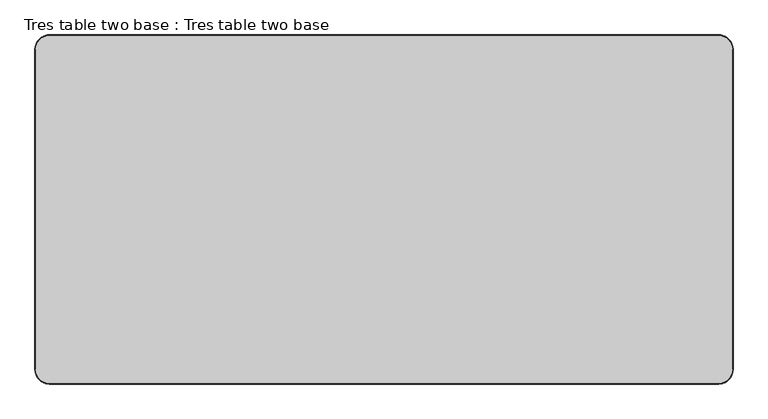
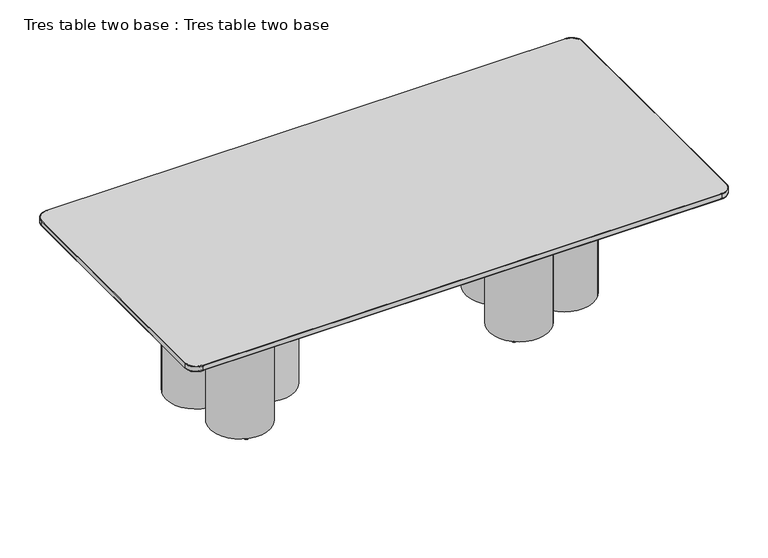
"""IFC4 building model written with IfcOpenShell, lengths in millimetres: furniture geometry, Tres table two base : Tres table two base."""

from ifc_helpers import new_model, si_unit, point, frame, frame_2d, origin, origin_with_axes, place, context, project, spatial, circle_curve, ellipse_curve, trimmed, segment, composite_curve, outline, extrude, source, transform, mapped, element, save
from ifc_brep_helpers import plane_surface, cylinder_surface, revolved_surface, advanced_brep


def tres_table_two_base_tres_table_two_base_2dbc93a7(model_context):
    return source(origin(), model_context, "Body", "SolidModel", [
        advanced_brep(
        [(-1150.0, 598.0, 719.875), (-1198.0, 550.0, 719.875), (-1198.0, -550.0, 719.875), (-1150.0, -598.0, 719.875), (1150.0, -598.0, 719.875), (1198.0, -550.0, 719.875), (1198.0, 550.0, 719.875), (1150.0, 598.0, 719.875), (1150.0, 598.0, 695.5), (1198.0, 550.0, 695.5), (1198.0, -550.0, 695.5), (1150.0, -598.0, 695.5), (-1150.0, -598.0, 695.5), (-1198.0, -550.0, 695.5), (-1198.0, 550.0, 695.5), (-1150.0, 598.0, 695.5), (-1150.0, 600.0, 717.875), (1150.0, 600.0, 717.875), (1150.0, 600.0, 697.4999989), (-1150.0, 600.0, 697.5), (-1200.0, 550.0, 717.875), (-1200.0, 550.0, 697.5), (-1200.0, -550.0, 717.875), (-1200.0, -550.0, 697.5), (-1150.0, -600.0, 717.875), (-1150.0, -600.0, 697.5), (1150.0, -600.0, 717.875), (1150.0, -600.0, 697.5), (1200.0, -550.0, 717.875), (1200.0, -550.0, 697.5), (1200.0, 550.0, 717.875), (1200.0, 550.0, 697.5)],
        [
            (0, 1, circle_curve(frame((-1150.0, 550.0, 719.875), z_axis=(0.0, 0.0, 1.0), x_axis=(0.0, 1.0, 0.0)), 48.0)),
            (1, 2),
            (2, 3, circle_curve(frame((-1150.0, -550.0, 719.875), z_axis=(0.0, 0.0, 1.0), x_axis=(-1.0, 0.0, 0.0)), 48.0)),
            (3, 4),
            (4, 5, circle_curve(frame((1150.0, -550.0, 719.875), z_axis=(0.0, 0.0, 1.0), x_axis=(0.0, -1.0, 0.0)), 48.0)),
            (5, 6),
            (6, 7, circle_curve(frame((1150.0, 550.0, 719.875), z_axis=(0.0, 0.0, 1.0), x_axis=(1.0, 0.0, 0.0)), 48.0)),
            (7, 0),
            (8, 9, circle_curve(frame((1150.0, 550.0, 695.5), z_axis=(0.0, 0.0, -1.0), x_axis=(0.0, 1.0, 0.0)), 48.0)),
            (9, 10),
            (10, 11, circle_curve(frame((1150.0, -550.0, 695.5), z_axis=(0.0, 0.0, -1.0), x_axis=(1.0, 0.0, 0.0)), 48.0)),
            (11, 12),
            (12, 13, circle_curve(frame((-1150.0, -550.0, 695.5), z_axis=(0.0, 0.0, -1.0), x_axis=(0.0, -1.0, 0.0)), 48.0)),
            (13, 14),
            (14, 15, circle_curve(frame((-1150.0, 550.0, 695.5), z_axis=(0.0, 0.0, -1.0), x_axis=(-1.0, 0.0, 0.0)), 48.0)),
            (15, 8),
            (16, 17),
            (17, 18),
            (18, 19),
            (19, 16),
            (20, 16, circle_curve(frame((-1150.0, 550.0, 717.875), z_axis=(0.0, 0.0, -1.0), x_axis=(1.0, 0.0, 0.0)), 50.0)),
            (19, 21, circle_curve(frame((-1150.0, 550.0, 697.5), z_axis=(0.0, 0.0, 1.0), x_axis=(1.0, 0.0, 0.0)), 50.0)),
            (21, 20),
            (22, 20),
            (21, 23),
            (23, 22),
            (24, 22, circle_curve(frame((-1150.0, -550.0, 717.875), z_axis=(0.0, 0.0, -1.0), x_axis=(1.0, 0.0, 0.0)), 50.0)),
            (23, 25, circle_curve(frame((-1150.0, -550.0, 697.5), z_axis=(0.0, 0.0, 1.0), x_axis=(1.0, 0.0, 0.0)), 50.0)),
            (25, 24),
            (26, 24),
            (25, 27),
            (27, 26),
            (28, 26, circle_curve(frame((1150.0, -550.0, 717.875), z_axis=(0.0, 0.0, -1.0), x_axis=(1.0, 0.0, 0.0)), 50.0)),
            (27, 29, circle_curve(frame((1150.0, -550.0, 697.5), z_axis=(0.0, 0.0, 1.0), x_axis=(1.0, 0.0, 0.0)), 50.0)),
            (29, 28),
            (30, 28),
            (29, 31),
            (31, 30),
            (17, 30, circle_curve(frame((1150.0, 550.0, 717.875), z_axis=(0.0, 0.0, -1.0), x_axis=(1.0, 0.0, 0.0)), 50.0)),
            (31, 18, circle_curve(frame((1150.0, 550.0, 697.5), z_axis=(0.0, 0.0, 1.0), x_axis=(1.0, 0.0, 0.0)), 50.0)),
            (20, 1, circle_curve(frame((-1198.0, 550.0, 717.875), z_axis=(0.0, 1.0, 0.0), x_axis=(1.0, 0.0, 0.0)), 2.0)),
            (0, 16, circle_curve(frame((-1150.0, 598.0, 717.875), z_axis=(-1.0, 0.0, 0.0), x_axis=(0.0, -1.0, 0.0)), 2.0)),
            (22, 2, circle_curve(frame((-1198.0, -550.0, 717.875), z_axis=(0.0, 1.0, 0.0), x_axis=(1.0, 0.0, 0.0)), 2.0)),
            (24, 3, circle_curve(frame((-1150.0, -598.0, 717.875), z_axis=(-1.0, 0.0, 0.0), x_axis=(0.0, 1.0, 0.0)), 2.0)),
            (26, 4, circle_curve(frame((1150.0, -598.0, 717.875), z_axis=(-1.0, 0.0, 0.0), x_axis=(0.0, 1.0, 0.0)), 2.0)),
            (28, 5, circle_curve(frame((1198.0, -550.0, 717.875), z_axis=(0.0, -1.0, 0.0), x_axis=(-1.0, 0.0, 0.0)), 2.0)),
            (30, 6, circle_curve(frame((1198.0, 550.0, 717.875), z_axis=(0.0, -1.0, 0.0), x_axis=(-1.0, 0.0, 0.0)), 2.0)),
            (17, 7, circle_curve(frame((1150.0, 598.0, 717.875), z_axis=(1.0, 0.0, 0.0), x_axis=(0.0, -1.0, 0.0)), 2.0)),
            (31, 9, circle_curve(frame((1198.0, 550.0, 697.5), z_axis=(0.0, 1.0, 0.0), x_axis=(-1.0, 0.0, 0.0)), 2.0)),
            (8, 18, circle_curve(frame((1150.0, 598.0, 697.5), z_axis=(1.0, 0.0, 0.0), x_axis=(0.0, -1.0, 0.0)), 2.0)),
            (29, 10, circle_curve(frame((1198.0, -550.0, 697.5), z_axis=(0.0, 1.0, 0.0), x_axis=(-1.0, 0.0, 0.0)), 2.0)),
            (27, 11, circle_curve(frame((1150.0, -598.0, 697.5), z_axis=(1.0, 0.0, 0.0), x_axis=(0.0, 1.0, 0.0)), 2.0)),
            (25, 12, circle_curve(frame((-1150.0, -598.0, 697.5), z_axis=(1.0, 0.0, 0.0), x_axis=(0.0, 1.0, 0.0)), 2.0)),
            (23, 13, circle_curve(frame((-1198.0, -550.0, 697.5), z_axis=(0.0, -1.0, 0.0), x_axis=(1.0, 0.0, 0.0)), 2.0)),
            (21, 14, circle_curve(frame((-1198.0, 550.0, 697.5), z_axis=(0.0, -1.0, 0.0), x_axis=(1.0, 0.0, 0.0)), 2.0)),
            (19, 15, circle_curve(frame((-1150.0, 598.0, 697.5), z_axis=(-1.0, 0.0, 0.0), x_axis=(0.0, -1.0, 0.0)), 2.0)),
        ],
        [
            plane_surface(frame((-1200.0, 600.0, 719.875), z_axis=(0.0, 0.0, 1.0), x_axis=(-1.0, 0.0, 0.0))),
            plane_surface(frame((-1200.0, 600.0, 695.5), z_axis=(0.0, 0.0, -1.0), x_axis=(1.0, 0.0, 0.0))),
            plane_surface(frame((1150.0, 600.0, 719.875), z_axis=(0.0, 1.0, 0.0), x_axis=(0.0, 0.0, -1.0))),
            cylinder_surface(frame((-1150.0, 550.0, 695.5), z_axis=(0.0, 0.0, 1.0), x_axis=(1.0, 0.0, 0.0)), 50.0),
            plane_surface(frame((-1200.0, 550.0, 719.875), z_axis=(-1.0, 0.0, 0.0), x_axis=(0.0, 0.0, -1.0))),
            cylinder_surface(frame((-1150.0, -550.0, 695.5), z_axis=(0.0, 0.0, 1.0), x_axis=(1.0, 0.0, 0.0)), 50.0),
            plane_surface(frame((-1150.0, -600.0, 719.875), z_axis=(0.0, -1.0, 0.0), x_axis=(0.0, 0.0, -1.0))),
            cylinder_surface(frame((1150.0, -550.0, 695.5), z_axis=(0.0, 0.0, 1.0), x_axis=(1.0, 0.0, 0.0)), 50.0),
            plane_surface(frame((1200.0, -550.0, 719.875), z_axis=(1.0, 0.0, 0.0), x_axis=(0.0, 0.0, -1.0))),
            cylinder_surface(frame((1150.0, 550.0, 695.5), z_axis=(0.0, 0.0, 1.0), x_axis=(1.0, 0.0, 0.0)), 50.0),
            revolved_surface(trimmed(ellipse_curve(frame((-1150.0, 598.0, 717.875), z_axis=(1.0, 0.0, 0.0), x_axis=(0.0, -1.0, 0.0)), 2.0, 2.0), [point((-1150.0, 600.0, 717.875))], [point((-1150.0, 598.0, 719.875))], True, "CARTESIAN"), (-1150.0, 550.0, 719.875), (0.0, 0.0, 1.0)),
            cylinder_surface(frame((-1198.0, 550.0, 717.875), z_axis=(0.0, -1.0, 0.0), x_axis=(1.0, 0.0, 0.0)), 2.0),
            revolved_surface(trimmed(ellipse_curve(frame((-1198.0, -550.0, 717.875), z_axis=(0.0, 1.0, 0.0), x_axis=(1.0, 0.0, 0.0)), 2.0, 2.0), [point((-1200.0, -550.0, 717.875))], [point((-1198.0, -550.0, 719.875))], True, "CARTESIAN"), (-1150.0, -550.0, 719.875), (0.0, 0.0, 1.0)),
            cylinder_surface(frame((-1150.0, -598.0, 717.875), z_axis=(1.0, 0.0, 0.0), x_axis=(0.0, 1.0, 0.0)), 2.0),
            revolved_surface(trimmed(ellipse_curve(frame((1150.0, -598.0, 717.875), z_axis=(-1.0, 0.0, 0.0), x_axis=(0.0, 1.0, 0.0)), 2.0, 2.0), [point((1150.0, -600.0, 717.875))], [point((1150.0, -598.0, 719.875))], True, "CARTESIAN"), (1150.0, -550.0, 719.875), (0.0, 0.0, 1.0)),
            cylinder_surface(frame((1198.0, -550.0, 717.875), z_axis=(0.0, 1.0, 0.0), x_axis=(-1.0, 0.0, 0.0)), 2.0),
            revolved_surface(trimmed(ellipse_curve(frame((1198.0, 550.0, 717.875), z_axis=(0.0, -1.0, 0.0), x_axis=(-1.0, 0.0, 0.0)), 2.0, 2.0), [point((1200.0, 550.0, 717.875))], [point((1198.0, 550.0, 719.875))], True, "CARTESIAN"), (1150.0, 550.0, 719.875), (0.0, 0.0, 1.0)),
            cylinder_surface(frame((1150.0, 598.0, 717.875), z_axis=(-1.0, 0.0, 0.0), x_axis=(0.0, -1.0, 0.0)), 2.0),
            revolved_surface(trimmed(ellipse_curve(frame((1150.0, 598.0, 697.5), z_axis=(-1.0, 0.0, 0.0), x_axis=(0.0, -1.0, 0.0)), 2.0, 2.0), [point((1150.0, 600.0, 697.5))], [point((1150.0, 598.0, 695.5))], True, "CARTESIAN"), (1150.0, 550.0, 695.5), (0.0, 0.0, -1.0)),
            cylinder_surface(frame((1198.0, 550.0, 697.5), z_axis=(0.0, -1.0, 0.0), x_axis=(-1.0, 0.0, 0.0)), 2.0),
            revolved_surface(trimmed(ellipse_curve(frame((1198.0, -550.0, 697.5), z_axis=(0.0, 1.0, 0.0), x_axis=(-1.0, 0.0, 0.0)), 2.0, 2.0), [point((1200.0, -550.0, 697.5))], [point((1198.0, -550.0, 695.5))], True, "CARTESIAN"), (1150.0, -550.0, 695.5), (0.0, 0.0, -1.0)),
            cylinder_surface(frame((1150.0, -598.0, 697.5), z_axis=(-1.0, 0.0, 0.0), x_axis=(0.0, 1.0, 0.0)), 2.0),
            revolved_surface(trimmed(ellipse_curve(frame((-1150.0, -598.0, 697.5), z_axis=(1.0, 0.0, 0.0), x_axis=(0.0, 1.0, 0.0)), 2.0, 2.0), [point((-1150.0, -600.0, 697.5))], [point((-1150.0, -598.0, 695.5))], True, "CARTESIAN"), (-1150.0, -550.0, 695.5), (0.0, 0.0, -1.0)),
            cylinder_surface(frame((-1198.0, -550.0, 697.5), z_axis=(0.0, 1.0, 0.0), x_axis=(1.0, 0.0, 0.0)), 2.0),
            revolved_surface(trimmed(ellipse_curve(frame((-1198.0, 550.0, 697.5), z_axis=(0.0, -1.0, 0.0), x_axis=(1.0, 0.0, 0.0)), 2.0, 2.0), [point((-1200.0, 550.0, 697.5))], [point((-1198.0, 550.0, 695.5))], True, "CARTESIAN"), (-1150.0, 550.0, 695.5), (0.0, 0.0, -1.0)),
            cylinder_surface(frame((-1150.0, 598.0, 697.5), z_axis=(1.0, 0.0, 0.0), x_axis=(0.0, -1.0, 0.0)), 2.0),
        ],
        [
            (0, [[1, 2, 3, 4, 5, 6, 7, 8]]),
            (1, [[9, 10, 11, 12, 13, 14, 15, 16]]),
            (2, [[17, 18, 19, 20]]),
            (3, [[21, -20, 22, 23]]),
            (4, [[24, -23, 25, 26]]),
            (5, [[27, -26, 28, 29]]),
            (6, [[30, -29, 31, 32]]),
            (7, [[33, -32, 34, 35]]),
            (8, [[36, -35, 37, 38]]),
            (9, [[39, -38, 40, -18]]),
            (10, [[41, -1, 42, -21]]),
            (11, [[-41, -24, 43, -2]]),
            (12, [[-43, -27, 44, -3]]),
            (13, [[-44, -30, 45, -4]]),
            (14, [[-45, -33, 46, -5]]),
            (15, [[-46, -36, 47, -6]]),
            (16, [[-47, -39, 48, -7]]),
            (17, [[-42, -8, -48, -17]]),
            (18, [[49, -9, 50, -40]]),
            (19, [[-49, -37, 51, -10]]),
            (20, [[-51, -34, 52, -11]]),
            (21, [[-52, -31, 53, -12]]),
            (22, [[-53, -28, 54, -13]]),
            (23, [[-54, -25, 55, -14]]),
            (24, [[-55, -22, 56, -15]]),
            (25, [[-50, -16, -56, -19]]),
        ],
    ),
        extrude(outline(composite_curve([segment(trimmed(circle_curve(frame_2d((-389.2328578, 118.6021484)), 8.5), [point((-397.1682914, 121.6482759))], [point((-381.2974241, 115.5560208))], False, "CARTESIAN"), True, "CONTINUOUS"), segment(trimmed(circle_curve(frame_2d((-389.2328578, 118.6021484)), 8.5), [point((-381.2974241, 115.5560208))], [point((-397.1682914, 121.6482759))], False, "CARTESIAN"), True, "CONTINUOUS")], self_intersect=False)), origin_with_axes(), (0.0, 0.0, 1.0), 4.0),
        extrude(outline(composite_curve([segment(trimmed(circle_curve(frame_2d((-591.112957, 18.813997)), 8.5), [point((-599.0483906, 21.8601246))], [point((-583.1775234, 15.7678694))], False, "CARTESIAN"), True, "CONTINUOUS"), segment(trimmed(circle_curve(frame_2d((-591.112957, 18.813997)), 8.5), [point((-583.1775234, 15.7678694))], [point((-599.0483906, 21.8601246))], False, "CARTESIAN"), True, "CONTINUOUS")], self_intersect=False)), origin_with_axes(), (0.0, 0.0, 1.0), 4.0),
        extrude(outline(composite_curve([segment(trimmed(circle_curve(frame_2d((-734.1248054, -213.6595682)), 8.5), [point((-742.060239, -210.6134407))], [point((-726.1893718, -216.7056958))], False, "CARTESIAN"), True, "CONTINUOUS"), segment(trimmed(circle_curve(frame_2d((-734.1248054, -213.6595682)), 8.5), [point((-726.1893718, -216.7056958))], [point((-742.060239, -210.6134407))], False, "CARTESIAN"), True, "CONTINUOUS")], self_intersect=False)), origin_with_axes(), (0.0, 0.0, 1.0), 4.0),
        extrude(outline(composite_curve([segment(trimmed(circle_curve(frame_2d((-651.2119973, 13.493529)), 8.5), [point((-659.147431, 16.5396566))], [point((-643.2765637, 10.4474015))], False, "CARTESIAN"), True, "CONTINUOUS"), segment(trimmed(circle_curve(frame_2d((-651.2119973, 13.493529)), 8.5), [point((-643.2765637, 10.4474015))], [point((-659.147431, 16.5396566))], False, "CARTESIAN"), True, "CONTINUOUS")], self_intersect=False)), origin_with_axes(), (0.0, 0.0, 1.0), 4.0),
        extrude(outline(composite_curve([segment(trimmed(circle_curve(frame_2d((-692.0849688, 57.516551)), 8.5), [point((-700.0204025, 60.5626785))], [point((-684.1495352, 54.4704234))], False, "CARTESIAN"), True, "CONTINUOUS"), segment(trimmed(circle_curve(frame_2d((-692.0849688, 57.516551)), 8.5), [point((-684.1495352, 54.4704234))], [point((-700.0204025, 60.5626785))], False, "CARTESIAN"), True, "CONTINUOUS")], self_intersect=False)), origin_with_axes(), (0.0, 0.0, 1.0), 4.0),
        extrude(outline(composite_curve([segment(trimmed(circle_curve(frame_2d((-789.8900265, 268.5076884)), 8.5), [point((-797.8254602, 271.553816))], [point((-781.9545929, 265.4615608))], False, "CARTESIAN"), True, "CONTINUOUS"), segment(trimmed(circle_curve(frame_2d((-789.8900265, 268.5076884)), 8.5), [point((-781.9545929, 265.4615608))], [point((-797.8254602, 271.553816))], False, "CARTESIAN"), True, "CONTINUOUS")], self_intersect=False)), origin_with_axes(), (0.0, 0.0, 1.0), 4.0),
        extrude(outline(composite_curve([segment(trimmed(circle_curve(frame_2d((-694.5898471, -97.9794961)), 132.0), [point((-817.8224634, -50.6749268))], [point((-571.3572308, -145.2840655))], False, "CARTESIAN"), True, "CONTINUOUS"), segment(trimmed(circle_curve(frame_2d((-694.5898471, -97.9794961)), 132.0), [point((-571.3572308, -145.2840655))], [point((-817.8224634, -50.6749268))], False, "CARTESIAN"), True, "CONTINUOUS")], self_intersect=False), holes=[composite_curve([segment(trimmed(circle_curve(frame_2d((-694.5898471, -97.9794961)), 90.0), [point((-778.6120855, -65.7263807))], [point((-610.5676087, -130.2326116))], True, "CARTESIAN"), True, "CONTINUOUS"), segment(trimmed(circle_curve(frame_2d((-694.5898471, -97.9794961)), 90.0), [point((-610.5676087, -130.2326116))], [point((-778.6120855, -65.7263807))], True, "CARTESIAN"), True, "CONTINUOUS")], self_intersect=False)]), frame((0.0, 0.0, 4.0), z_axis=(0.0, 0.0, 1.0), x_axis=(1.0, 0.0, 0.0)), (0.0, 0.0, 1.0), 691.5),
        extrude(outline(composite_curve([segment(trimmed(circle_curve(frame_2d((-489.5145492, 68.8443022)), 132.0), [point((-612.7471655, 116.1488715))], [point((-366.2819329, 21.5397328))], False, "CARTESIAN"), True, "CONTINUOUS"), segment(trimmed(circle_curve(frame_2d((-489.5145492, 68.8443022)), 132.0), [point((-366.2819329, 21.5397328))], [point((-612.7471655, 116.1488715))], False, "CARTESIAN"), True, "CONTINUOUS")], self_intersect=False), holes=[composite_curve([segment(trimmed(circle_curve(frame_2d((-489.5145492, 68.8443022)), 90.0), [point((-573.5367876, 101.0974176))], [point((-405.4923108, 36.5911867))], True, "CARTESIAN"), True, "CONTINUOUS"), segment(trimmed(circle_curve(frame_2d((-489.5145492, 68.8443022)), 90.0), [point((-405.4923108, 36.5911867))], [point((-573.5367876, 101.0974176))], True, "CARTESIAN"), True, "CONTINUOUS")], self_intersect=False)]), frame((0.0, 0.0, 4.0), z_axis=(0.0, 0.0, 1.0), x_axis=(1.0, 0.0, 0.0)), (0.0, 0.0, 1.0), 691.5),
        extrude(outline(composite_curve([segment(trimmed(circle_curve(frame_2d((-740.6782449, 161.7433401)), 132.0), [point((-863.9108612, 209.0479095))], [point((-617.4456286, 114.4387708))], False, "CARTESIAN"), True, "CONTINUOUS"), segment(trimmed(circle_curve(frame_2d((-740.6782449, 161.7433401)), 132.0), [point((-617.4456286, 114.4387708))], [point((-863.9108612, 209.0479095))], False, "CARTESIAN"), True, "CONTINUOUS")], self_intersect=False), holes=[composite_curve([segment(trimmed(circle_curve(frame_2d((-740.6782449, 161.7433401)), 90.0), [point((-824.7004833, 193.9964556))], [point((-656.6560065, 129.4902247))], True, "CARTESIAN"), True, "CONTINUOUS"), segment(trimmed(circle_curve(frame_2d((-740.6782449, 161.7433401)), 90.0), [point((-656.6560065, 129.4902247))], [point((-824.7004833, 193.9964556))], True, "CARTESIAN"), True, "CONTINUOUS")], self_intersect=False)]), frame((0.0, 0.0, 4.0), z_axis=(0.0, 0.0, 1.0), x_axis=(1.0, 0.0, 0.0)), (0.0, 0.0, 1.0), 691.5),
        extrude(outline(composite_curve([segment(trimmed(circle_curve(frame_2d((919.2770387, 30.3621172)), 8.5), [point((912.8620072, 35.9386189))], [point((925.6920701, 24.7856154))], False, "CARTESIAN"), True, "CONTINUOUS"), segment(trimmed(circle_curve(frame_2d((919.2770387, 30.3621172)), 8.5), [point((925.6920701, 24.7856154))], [point((912.8620072, 35.9386189))], False, "CARTESIAN"), True, "CONTINUOUS")], self_intersect=False)), origin_with_axes(), (0.0, 0.0, 1.0), 4.0),
        extrude(outline(composite_curve([segment(trimmed(circle_curve(frame_2d((695.4422413, 5.6389882)), 8.5), [point((689.0272098, 11.2154899))], [point((701.8572727, 0.0624864))], False, "CARTESIAN"), True, "CONTINUOUS"), segment(trimmed(circle_curve(frame_2d((695.4422413, 5.6389882)), 8.5), [point((701.8572727, 0.0624864))], [point((689.0272098, 11.2154899))], False, "CARTESIAN"), True, "CONTINUOUS")], self_intersect=False)), origin_with_axes(), (0.0, 0.0, 1.0), 4.0),
        extrude(outline(composite_curve([segment(trimmed(circle_curve(frame_2d((481.5444206, -163.9017727)), 8.5), [point((475.1293892, -158.325271))], [point((487.959452, -169.4782745))], False, "CARTESIAN"), True, "CONTINUOUS"), segment(trimmed(circle_curve(frame_2d((481.5444206, -163.9017727)), 8.5), [point((487.959452, -169.4782745))], [point((475.1293892, -158.325271))], False, "CARTESIAN"), True, "CONTINUOUS")], self_intersect=False)), origin_with_axes(), (0.0, 0.0, 1.0), 4.0),
        extrude(outline(composite_curve([segment(trimmed(circle_curve(frame_2d((637.1479094, 21.1944661)), 8.5), [point((630.7328779, 26.7709678))], [point((643.5629408, 15.6179643))], False, "CARTESIAN"), True, "CONTINUOUS"), segment(trimmed(circle_curve(frame_2d((637.1479094, 21.1944661)), 8.5), [point((643.5629408, 15.6179643))], [point((630.7328779, 26.7709678))], False, "CARTESIAN"), True, "CONTINUOUS")], self_intersect=False)), origin_with_axes(), (0.0, 0.0, 1.0), 4.0),
        extrude(outline(composite_curve([segment(trimmed(circle_curve(frame_2d((613.7966399, 76.5419545)), 8.5), [point((607.3816085, 82.1184562))], [point((620.2116714, 70.9654528))], False, "CARTESIAN"), True, "CONTINUOUS"), segment(trimmed(circle_curve(frame_2d((613.7966399, 76.5419545)), 8.5), [point((620.2116714, 70.9654528))], [point((607.3816085, 82.1184562))], False, "CARTESIAN"), True, "CONTINUOUS")], self_intersect=False)), origin_with_axes(), (0.0, 0.0, 1.0), 4.0),
        extrude(outline(composite_curve([segment(trimmed(circle_curve(frame_2d((594.053168, 308.2600692)), 8.5), [point((587.6381366, 313.836571))], [point((600.4681994, 302.6835675))], False, "CARTESIAN"), True, "CONTINUOUS"), segment(trimmed(circle_curve(frame_2d((594.053168, 308.2600692)), 8.5), [point((600.4681994, 302.6835675))], [point((587.6381366, 313.836571))], False, "CARTESIAN"), True, "CONTINUOUS")], self_intersect=False)), origin_with_axes(), (0.0, 0.0, 1.0), 4.0),
        extrude(outline(composite_curve([segment(trimmed(circle_curve(frame_2d((558.260044, -68.7198147)), 132.0), [point((458.6383794, 17.8799771))], [point((657.8817086, -155.3196065))], False, "CARTESIAN"), True, "CONTINUOUS"), segment(trimmed(circle_curve(frame_2d((558.260044, -68.7198147)), 132.0), [point((657.8817086, -155.3196065))], [point((458.6383794, 17.8799771))], False, "CARTESIAN"), True, "CONTINUOUS")], self_intersect=False), holes=[composite_curve([segment(trimmed(circle_curve(frame_2d((558.260044, -68.7198147)), 90.0), [point((490.3361818, -9.6745021))], [point((626.1839062, -127.7651273))], True, "CARTESIAN"), True, "CONTINUOUS"), segment(trimmed(circle_curve(frame_2d((558.260044, -68.7198147)), 90.0), [point((626.1839062, -127.7651273))], [point((490.3361818, -9.6745021))], True, "CARTESIAN"), True, "CONTINUOUS")], self_intersect=False)]), frame((0.0, 0.0, 4.0), z_axis=(0.0, 0.0, 1.0), x_axis=(1.0, 0.0, 0.0)), (0.0, 0.0, 1.0), 691.5),
        extrude(outline(composite_curve([segment(trimmed(circle_curve(frame_2d((808.0248876, 17.9033947)), 132.0), [point((708.403223, 104.5031866))], [point((907.6465521, -68.6963971))], False, "CARTESIAN"), True, "CONTINUOUS"), segment(trimmed(circle_curve(frame_2d((808.0248876, 17.9033947)), 132.0), [point((907.6465521, -68.6963971))], [point((708.403223, 104.5031866))], False, "CARTESIAN"), True, "CONTINUOUS")], self_intersect=False), holes=[composite_curve([segment(trimmed(circle_curve(frame_2d((808.0248876, 17.9033947)), 90.0), [point((740.1010253, 76.9487073))], [point((875.9487498, -41.1419179))], True, "CARTESIAN"), True, "CONTINUOUS"), segment(trimmed(circle_curve(frame_2d((808.0248876, 17.9033947)), 90.0), [point((875.9487498, -41.1419179))], [point((740.1010253, 76.9487073))], True, "CARTESIAN"), True, "CONTINUOUS")], self_intersect=False)]), frame((0.0, 0.0, 4.0), z_axis=(0.0, 0.0, 1.0), x_axis=(1.0, 0.0, 0.0)), (0.0, 0.0, 1.0), 691.5),
        extrude(outline(composite_curve([segment(trimmed(circle_curve(frame_2d((603.7815584, 191.1029784)), 132.0), [point((504.1598938, 277.7027702))], [point((703.403223, 104.5031866))], False, "CARTESIAN"), True, "CONTINUOUS"), segment(trimmed(circle_curve(frame_2d((603.7815584, 191.1029784)), 132.0), [point((703.403223, 104.5031866))], [point((504.1598938, 277.7027702))], False, "CARTESIAN"), True, "CONTINUOUS")], self_intersect=False), holes=[composite_curve([segment(trimmed(circle_curve(frame_2d((603.7815584, 191.1029784)), 90.0), [point((535.8576962, 250.148291))], [point((671.7054206, 132.0576658))], True, "CARTESIAN"), True, "CONTINUOUS"), segment(trimmed(circle_curve(frame_2d((603.7815584, 191.1029784)), 90.0), [point((671.7054206, 132.0576658))], [point((535.8576962, 250.148291))], True, "CARTESIAN"), True, "CONTINUOUS")], self_intersect=False)]), frame((0.0, 0.0, 4.0), z_axis=(0.0, 0.0, 1.0), x_axis=(1.0, 0.0, 0.0)), (0.0, 0.0, 1.0), 691.5),
    ])


if __name__ == "__main__":
    model = new_model("IFC4")
    model_context = context("Model", 3, world=origin())
    ifc_project = project(units=[si_unit("LENGTHUNIT", "METRE", prefix="MILLI")], contexts=[model_context])
    site = spatial("IfcSite", under=ifc_project)
    building = spatial("IfcBuilding", under=site)
    placement = place(None, origin())
    tres_table_two_base_tres_table_two_base_shape = tres_table_two_base_tres_table_two_base_2dbc93a7(model_context)
    element("IfcFurniture", 1, ObjectType="Tres table two base : Tres table two base", at=placement, inside=building, context=model_context, shape_type="MappedRepresentation", body=[
        mapped(tres_table_two_base_tres_table_two_base_shape, transform((0.0, 0.0, 0.0), x_axis=(1.0, 0.0, 0.0), y_axis=(0.0, 1.0, 0.0), z_axis=(0.0, 0.0, 1.0))),
    ])
    save(model, "model.ifc")
